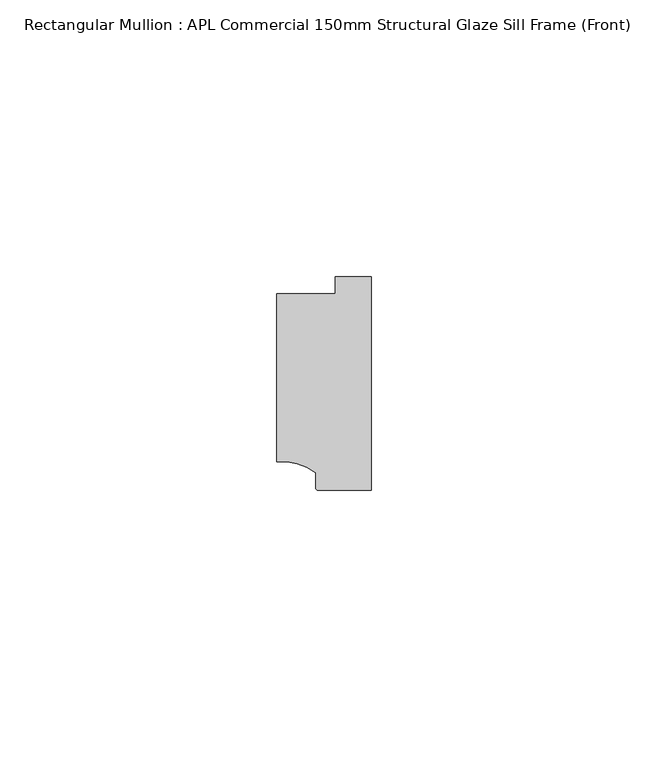
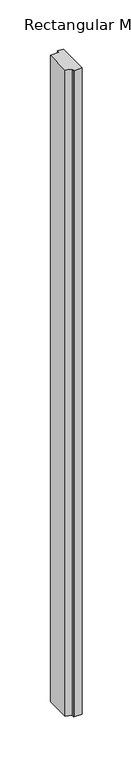
"""IFC4 building model written with IfcOpenShell, lengths in millimetres: member geometry, Rectangular Mullion : APL Commercial 150mm Structural Glaze Sill Frame (Front)."""

from ifc_helpers import new_model, si_unit, point, frame, frame_2d, origin, place, context, project, spatial, polyline, circle_curve, trimmed, segment, composite_curve, outline, extrude, source, transform, mapped, element, save


def rectangular_mullion_apl_commercial_150mm_structural_glaze_5197789a(model_context):
    return source(origin(), model_context, "Body", "SweptSolid", [
        extrude(outline(composite_curve([segment(polyline([(-16.999942, -15.3793144), (-16.999942, 15.0004332), (-6.5000029, 15.0004332), (-6.5000029, 18.0281616), (0.0, 18.0281616), (0.0, -20.49978), (-9.5000029, -20.49978)]), True, "CONTINUOUS"), segment(trimmed(circle_curve(frame_2d((-9.5000029, -19.99978)), 0.5), [point((-9.5000029, -20.49978))], [point((-10.0, -19.9980675))], False, "CARTESIAN"), True, "CONTINUOUS"), segment(polyline([(-10.0, -19.9980675), (-10.0, -17.3120901)]), True, "CONTINUOUS"), segment(trimmed(circle_curve(frame_2d((-16.1098048, -25.7977481)), 10.4563907), [point((-10.0, -17.3120901))], [point((-16.999942, -15.3793144))], True, "CARTESIAN"), True, "CONTINUOUS")], self_intersect=False)), frame((0.0, 0.0, -804.1423288), z_axis=(0.0, 0.0, 1.0), x_axis=(1.0, 0.0, 0.0)), (0.0, 0.0, 1.0), 804.1423288),
    ])


if __name__ == "__main__":
    model = new_model("IFC4")
    model_context = context("Model", 3, world=origin())
    ifc_project = project(units=[si_unit("LENGTHUNIT", "METRE", prefix="MILLI")], contexts=[model_context])
    site = spatial("IfcSite", under=ifc_project)
    building = spatial("IfcBuilding", under=site)
    placement = place(None, origin())
    rectangular_mullion_apl_commercial_150mm_structural_glaze_shape = rectangular_mullion_apl_commercial_150mm_structural_glaze_5197789a(model_context)
    element("IfcMember", 1, ObjectType="Rectangular Mullion : APL Commercial 150mm Structural Glaze Sill Frame (Front)", at=placement, inside=building, context=model_context, shape_type="MappedRepresentation", body=[
        mapped(rectangular_mullion_apl_commercial_150mm_structural_glaze_shape, transform((0.0, 0.0, 0.0), x_axis=(1.0, 0.0, 0.0), y_axis=(0.0, 1.0, 0.0), z_axis=(0.0, 0.0, 1.0))),
    ])
    save(model, "model.ifc")
